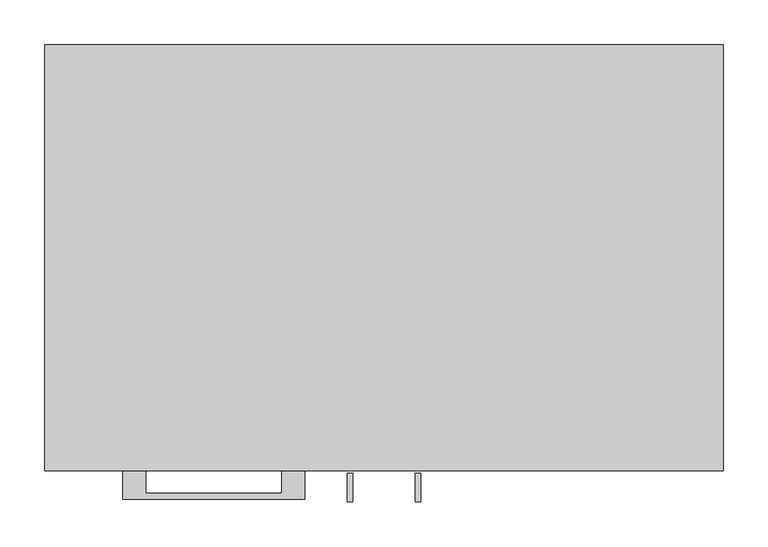
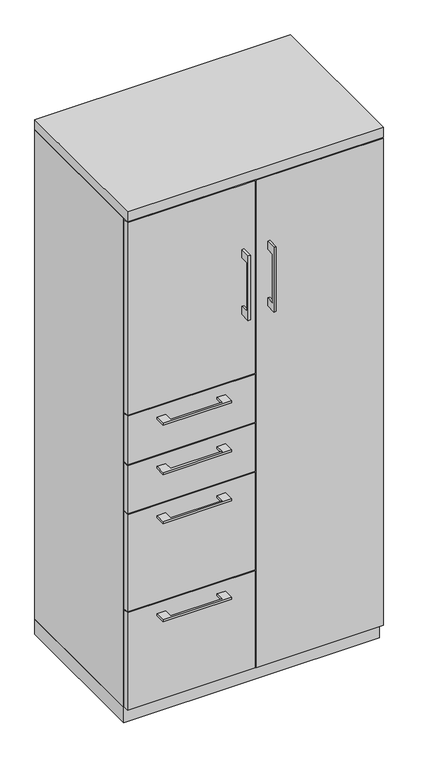
"""IFC4 building model written with IfcOpenShell, lengths in millimetres: furniture geometry."""

import ifcopenshell
import ifcopenshell.guid

model = None  # the IFC model being written
_history = None  # IfcOwnerHistory: only IFC2X3 demands one
_inside = {}  # id of a spatial element -> (the spatial element, [elements in it])
_under = {}  # id of a project, library or spatial element -> (it, [spatial elements below it])
_declared = {}  # id of a project -> (the project, [libraries it declares])
_typed = {}  # id of a type object -> (the type object, [elements of that type])
_made_of = {}  # id of a material, layer set ... -> (it, [elements and type objects made of it])


def new_model(schema):
    """Start an empty IFC model of exactly this schema.

    Asked for "IFC4X3", IfcOpenShell would pick the latest addendum, in which some entities
    have other attributes; the version numbers below select the first issue.
    IFC2X3 requires an IfcOwnerHistory on every rooted entity: one is made here for all.
    """
    global model, _history
    if schema == "IFC4X3":
        model = ifcopenshell.file(schema_version=(4, 3, 0, 0))
    else:
        model = ifcopenshell.file(schema=schema)
    _inside.clear()
    _under.clear()
    _declared.clear()
    _typed.clear()
    _made_of.clear()
    _history = None
    if model.schema == "IFC2X3":
        org = make("IfcOrganization", Name="unknown")
        user = make(
            "IfcPersonAndOrganization",
            ThePerson=make("IfcPerson", FamilyName="unknown"),
            TheOrganization=org,
        )
        app = make(
            "IfcApplication",
            ApplicationDeveloper=org,
            Version="unknown",
            ApplicationFullName="unknown",
            ApplicationIdentifier="unknown",
        )
        _history = make(
            "IfcOwnerHistory",
            OwningUser=user,
            OwningApplication=app,
            ChangeAction="ADDED",
            CreationDate=0,
        )
    return model


def make(cls, **values):
    """One entity of the class cls with the attributes given. An attribute that is None is left unset."""
    return model.create_entity(
        cls, **{name: value for name, value in values.items() if value is not None}
    )


def rooted(cls, **values):
    """An entity with a GlobalId (a new one), such as an element, a storey or a relation."""
    return make(cls, GlobalId=ifcopenshell.guid.new(), OwnerHistory=_history, **values)


def si_unit(unit_type, name, prefix=None):
    """IfcSIUnit, for example si_unit("LENGTHUNIT", "METRE", prefix="MILLI")."""
    return make("IfcSIUnit", UnitType=unit_type, Prefix=prefix, Name=name)


def assignment(units):
    """IfcUnitAssignment: the units of a project."""
    return None if units is None else make("IfcUnitAssignment", Units=units)


def point(xyz):
    """IfcCartesianPoint."""
    return None if xyz is None else make("IfcCartesianPoint", Coordinates=xyz)


def direction(xyz):
    """IfcDirection."""
    return None if xyz is None else make("IfcDirection", DirectionRatios=xyz)


def frame(location, z_axis=None, x_axis=None):
    """IfcAxis2Placement3D, a coordinate frame: its origin and axes. An axis left out is left unset."""
    return make(
        "IfcAxis2Placement3D",
        Location=point(location),
        Axis=direction(z_axis),
        RefDirection=direction(x_axis),
    )


def origin():
    """The frame at (0, 0, 0) with its axes left unset."""
    return frame((0.0, 0.0, 0.0))


def origin_with_axes():
    """The frame at (0, 0, 0) with the z axis (0, 0, 1) and the x axis (1, 0, 0) written out."""
    return frame((0.0, 0.0, 0.0), z_axis=(0.0, 0.0, 1.0), x_axis=(1.0, 0.0, 0.0))


def place(relative_to, where):
    """IfcLocalPlacement: puts the frame where relative to a parent placement (None: the world)."""
    return make(
        "IfcLocalPlacement", PlacementRelTo=relative_to, RelativePlacement=where
    )


def context(
    kind, dimensions, precision=None, world=None, true_north=None, identifier=None
):
    """IfcGeometricRepresentationContext, for example the 3D "Model" context."""
    return make(
        "IfcGeometricRepresentationContext",
        ContextIdentifier=identifier,
        ContextType=kind,
        CoordinateSpaceDimension=dimensions,
        Precision=precision,
        WorldCoordinateSystem=world,
        TrueNorth=true_north,
    )


def project(units=None, contexts=None):
    """IfcProject with its units and contexts."""
    return rooted(
        "IfcProject",
        Name="project",
        RepresentationContexts=contexts,
        UnitsInContext=assignment(units),
    )


def spatial(cls, under=None, at=None, **own):
    """A site, building, storey or space (cls), placed at a placement, below another one or the project."""
    s = rooted(cls, ObjectPlacement=at, **own)
    if under is not None:
        _under.setdefault(under.id(), (under, []))[1].append(s)
    return s


def polyline(points):
    """IfcPolyline through the points."""
    return make("IfcPolyline", Points=[point(p) for p in points])


def outline(outer, holes=None, kind="AREA"):
    """IfcArbitraryClosedProfileDef: a profile drawn as a closed curve; with holes, ...WithVoids."""
    if holes is None:
        return make("IfcArbitraryClosedProfileDef", ProfileType=kind, OuterCurve=outer)
    return make(
        "IfcArbitraryProfileDefWithVoids",
        ProfileType=kind,
        OuterCurve=outer,
        InnerCurves=holes,
    )


def extrude(swept, where, along, depth):
    """IfcExtrudedAreaSolid: the profile swept, set in the frame where, extruded along a direction by depth."""
    return make(
        "IfcExtrudedAreaSolid",
        SweptArea=swept,
        Position=where,
        ExtrudedDirection=direction(along),
        Depth=depth,
    )


def shape(context_of_items, identifier, shape_type, items):
    """IfcShapeRepresentation: the items that make up one representation, for example the "Body"."""
    return make(
        "IfcShapeRepresentation",
        ContextOfItems=context_of_items,
        RepresentationIdentifier=identifier,
        RepresentationType=shape_type,
        Items=items,
    )


def source(mapping_origin, context_of_items, identifier, shape_type, items):
    """IfcRepresentationMap: a shape defined once, which mapped items show again and again."""
    return make(
        "IfcRepresentationMap",
        MappingOrigin=mapping_origin,
        MappedRepresentation=shape(context_of_items, identifier, shape_type, items),
    )


def transform(
    local_origin,
    x_axis=None,
    y_axis=None,
    z_axis=None,
    scale=None,
    scale2=None,
    scale3=None,
    uniform=True,
):
    """IfcCartesianTransformationOperator3D, or its non-uniform kind. x_axis, y_axis, z_axis: its Axis1, 2, 3."""
    if uniform:
        return make(
            "IfcCartesianTransformationOperator3D",
            Axis1=direction(x_axis),
            Axis2=direction(y_axis),
            LocalOrigin=point(local_origin),
            Scale=scale,
            Axis3=direction(z_axis),
        )
    return make(
        "IfcCartesianTransformationOperator3DnonUniform",
        Axis1=direction(x_axis),
        Axis2=direction(y_axis),
        LocalOrigin=point(local_origin),
        Scale=scale,
        Axis3=direction(z_axis),
        Scale2=scale2,
        Scale3=scale3,
    )


def mapped(mapping_source, mapping_target):
    """IfcMappedItem: shows the shape of a source again, moved by a transform."""
    return make(
        "IfcMappedItem", MappingSource=mapping_source, MappingTarget=mapping_target
    )


def made_of(thing, what):
    """Note that an element or type object is made of a material, layer set ...; save() writes the relation."""
    if what is not None:
        _made_of.setdefault(what.id(), (what, []))[1].append(thing)
    return thing


def element(
    cls,
    number,
    at=None,
    inside=None,
    cuts=None,
    type_object=None,
    material=None,
    context=None,
    identifier="Body",
    shape_type=None,
    held_by="IfcProductDefinitionShape",
    body=None,
    shapes=None,
    **own,
):
    """One element of the class cls, such as IfcWall. Its Tag is "e" and its number.

    at: its placement. inside: the storey or other place that contains it. cuts: it is an
    opening in that element (IfcRelVoidsElement). A single representation is given by context,
    identifier, shape_type and body (its items); several are given by shapes. held_by: the class
    of the entity that holds the representations. save() writes the other relations.
    """
    e = rooted(cls, Tag="e%d" % number, ObjectPlacement=at, **own)
    if body is not None:
        shapes = [shape(context, identifier, shape_type, body)]
    if shapes is not None:
        e.Representation = make(held_by, Representations=shapes)
    if inside is not None:
        _inside.setdefault(inside.id(), (inside, []))[1].append(e)
    if cuts is not None:
        rooted(
            "IfcRelVoidsElement", RelatingBuildingElement=cuts, RelatedOpeningElement=e
        )
    if type_object is not None:
        _typed.setdefault(type_object.id(), (type_object, []))[1].append(e)
    return made_of(e, material)


def aggregate(whole, parts):
    """IfcRelAggregates: a whole, such as a stair, and the parts it consists of."""
    return rooted("IfcRelAggregates", RelatingObject=whole, RelatedObjects=parts)


def save(model, path):
    """Write the relations noted so far, then the file.

    IfcRelAggregates (storeys below a building ...), IfcRelContainedInSpatialStructure (elements
    in a storey), IfcRelDefinesByType, IfcRelAssociatesMaterial and IfcRelDeclares: one each for
    every whole, place, type object, material and project.
    """
    for whole, parts in _under.values():
        aggregate(whole, parts)
    for where, things in _inside.values():
        rooted(
            "IfcRelContainedInSpatialStructure",
            RelatedElements=things,
            RelatingStructure=where,
        )
    for kind, things in _typed.values():
        rooted("IfcRelDefinesByType", RelatedObjects=things, RelatingType=kind)
    for what, things in _made_of.values():
        rooted("IfcRelAssociatesMaterial", RelatedObjects=things, RelatingMaterial=what)
    for by, libraries in _declared.values():
        rooted("IfcRelDeclares", RelatingContext=by, RelatedDefinitions=libraries)
    model.write(path)


def furniture_83d29164(model_context):
    return source(origin(), model_context, "Body", "SweptSolid", [
        extrude(outline(polyline([(-266.6999818, -476.25), (-266.6999818, -501.6499758), (-114.3, -501.6499758), (-114.3, -476.25), (-88.9000061, -476.25), (-88.9000061, -507.9999879), (-292.0999939, -507.9999879), (-292.0999939, -476.25), (-266.6999818, -476.25)])), frame((0.0, 0.0, 931.8625506), z_axis=(0.0, 0.0, 1.0), x_axis=(1.0, 0.0, 0.0)), (0.0, 0.0, 1.0), 6.3499758),
        extrude(outline(polyline([(-1.5875, -457.2), (-1.5875, -476.25), (-379.4125, -476.25), (-379.4125, -457.2), (-1.5875, -457.2)])), frame((0.0, 0.0, 820.7375), z_axis=(0.0, 0.0, 1.0), x_axis=(1.0, 0.0, 0.0)), (0.0, 0.0, 1.0), 150.8125),
        extrude(outline(polyline([(-266.6999818, -476.25), (-266.6999818, -501.6499758), (-114.3, -501.6499758), (-114.3, -476.25), (-88.9000061, -476.25), (-88.9000061, -507.9999879), (-292.0999939, -507.9999879), (-292.0999939, -476.25), (-266.6999818, -476.25)])), frame((0.0, 0.0, 623.8875506), z_axis=(0.0, 0.0, 1.0), x_axis=(1.0, 0.0, 0.0)), (0.0, 0.0, 1.0), 6.3499758),
        extrude(outline(polyline([(-1.5875, -457.2), (-1.5875, -476.25), (-379.4125, -476.25), (-379.4125, -457.2), (-1.5875, -457.2)])), frame((0.0, 0.0, 358.775), z_axis=(0.0, 0.0, 1.0), x_axis=(1.0, 0.0, 0.0)), (0.0, 0.0, 1.0), 304.8),
        extrude(outline(polyline([(-479.425, 1352.55), (-504.8249758, 1352.55), (-504.8249758, 1200.15), (-479.425, 1200.15), (-479.425, 1174.75), (-511.1749879, 1174.75), (-511.1749879, 1377.95), (-479.425, 1377.95), (-479.425, 1352.55)])), frame((-41.2749879, 0.0, 0.0), z_axis=(1.0, 0.0, 0.0), x_axis=(0.0, 1.0, 0.0)), (0.0, 0.0, 1.0), 6.3499758),
        extrude(outline(polyline([(-379.4125, -476.25), (-379.4125, -457.2), (-1.5875, -457.2), (-1.5875, -476.25), (-379.4125, -476.25)])), frame((0.0, 0.0, 974.725), z_axis=(0.0, 0.0, 1.0), x_axis=(1.0, 0.0, 0.0)), (0.0, 0.0, 1.0), 603.25),
        extrude(outline(polyline([(-266.6999818, -476.25), (-266.6999818, -501.6499758), (-114.3, -501.6499758), (-114.3, -476.25), (-88.9000061, -476.25), (-88.9000061, -507.9999879), (-292.0999939, -507.9999879), (-292.0999939, -476.25), (-266.6999818, -476.25)])), frame((0.0, 0.0, 777.8750506), z_axis=(0.0, 0.0, 1.0), x_axis=(1.0, 0.0, 0.0)), (0.0, 0.0, 1.0), 6.3499758),
        extrude(outline(polyline([(-1.5875, -457.2), (-1.5875, -476.25), (-379.4125, -476.25), (-379.4125, -457.2), (-1.5875, -457.2)])), frame((0.0, 0.0, 666.75), z_axis=(0.0, 0.0, 1.0), x_axis=(1.0, 0.0, 0.0)), (0.0, 0.0, 1.0), 150.8125),
        extrude(outline(polyline([(-479.425, 1352.55), (-504.8249758, 1352.55), (-504.8249758, 1200.15), (-479.425, 1200.15), (-479.425, 1174.75), (-511.1749879, 1174.75), (-511.1749879, 1377.95), (-479.425, 1377.95), (-479.425, 1352.55)])), frame((34.9250121, 0.0, 0.0), z_axis=(1.0, 0.0, 0.0), x_axis=(0.0, 1.0, 0.0)), (0.0, 0.0, 1.0), 6.3499758),
        extrude(outline(polyline([(379.4125, -476.25), (1.5875, -476.25), (1.5875, -457.2), (379.4125, -457.2), (379.4125, -476.25)])), frame((0.0, 0.0, 50.8), z_axis=(0.0, 0.0, 1.0), x_axis=(1.0, 0.0, 0.0)), (0.0, 0.0, 1.0), 1527.175),
        extrude(outline(polyline([(-266.6999818, -476.25), (-266.6999818, -501.6499758), (-114.3, -501.6499758), (-114.3, -476.25), (-88.9000061, -476.25), (-88.9000061, -507.9999879), (-292.0999939, -507.9999879), (-292.0999939, -476.25), (-266.6999818, -476.25)])), frame((0.0, 0.0, 315.9125506), z_axis=(0.0, 0.0, 1.0), x_axis=(1.0, 0.0, 0.0)), (0.0, 0.0, 1.0), 6.3499758),
        extrude(outline(polyline([(-1.5875, -457.2), (-1.5875, -476.25), (-379.4125, -476.25), (-379.4125, -457.2), (-1.5875, -457.2)])), frame((0.0, 0.0, 50.8), z_axis=(0.0, 0.0, 1.0), x_axis=(1.0, 0.0, 0.0)), (0.0, 0.0, 1.0), 304.8),
        extrude(outline(polyline([(-1.5875, -19.05), (-1.5875, -457.2), (-20.6375, -457.2), (-20.6375, -19.05), (-1.5875, -19.05)])), frame((0.0, 0.0, 47.625), z_axis=(0.0, 0.0, 1.0), x_axis=(1.0, 0.0, 0.0)), (0.0, 0.0, 1.0), 1533.525),
        extrude(outline(polyline([(379.4125, 0.0), (379.4125, -457.2), (360.3625, -457.2), (360.3625, -19.05), (-360.3625, -19.05), (-360.3625, -457.2), (-379.4125, -457.2), (-379.4125, 0.0), (379.4125, 0.0)])), frame((0.0, 0.0, 47.625), z_axis=(0.0, 0.0, 1.0), x_axis=(1.0, 0.0, 0.0)), (0.0, 0.0, 1.0), 1533.525),
        extrude(outline(polyline([(379.4125, 0.0), (379.4125, -476.25), (-379.4125, -476.25), (-379.4125, 0.0), (379.4125, 0.0)])), frame((0.0, 0.0, 1581.15), z_axis=(0.0, 0.0, 1.0), x_axis=(1.0, 0.0, 0.0)), (0.0, 0.0, 1.0), 31.75),
        extrude(outline(polyline([(379.4125, 0.0), (379.4125, -457.2), (-379.4125, -457.2), (-379.4125, 0.0), (379.4125, 0.0)])), origin_with_axes(), (0.0, 0.0, 1.0), 47.625),
    ])


if __name__ == "__main__":
    model = new_model("IFC4")
    model_context = context("Model", 3, world=origin())
    ifc_project = project(units=[si_unit("LENGTHUNIT", "METRE", prefix="MILLI")], contexts=[model_context])
    site = spatial("IfcSite", under=ifc_project)
    building = spatial("IfcBuilding", under=site)
    placement = place(None, origin())
    furniture_shape = furniture_83d29164(model_context)
    element("IfcFurniture", 1, at=placement, inside=building, context=model_context, shape_type="MappedRepresentation", body=[
        mapped(furniture_shape, transform((0.0, 0.0, 0.0), x_axis=(1.0, 0.0, 0.0), y_axis=(0.0, 1.0, 0.0), z_axis=(0.0, 0.0, 1.0))),
    ])
    save(model, "model.ifc")
